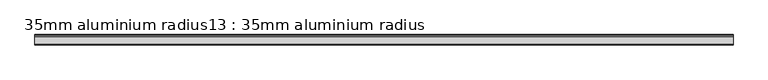
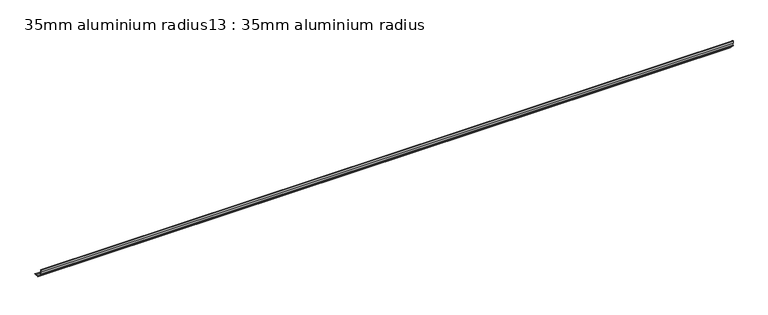
"""IFC4 building model written with IfcOpenShell, lengths in millimetres: proxy geometry, 35mm aluminium radius13 : 35mm aluminium radius."""

from ifc_helpers import new_model, si_unit, point, frame, frame_2d, origin, place, context, project, spatial, polyline, circle_curve, trimmed, segment, composite_curve, outline, extrude, source, transform, mapped, element, save


def proxy_35mm_aluminium_radius13_35mm_aluminium_radius_56cb9f90(model_context):
    return source(origin(), model_context, "Body", "SweptSolid", [
        extrude(outline(composite_curve([segment(trimmed(circle_curve(frame_2d((-8675.2538557, 34.9)), 0.5), [point((-8675.6205224, 34.5600654))], [point((-8674.9072367, 35.2603544))], False, "CARTESIAN"), True, "CONTINUOUS"), segment(trimmed(circle_curve(frame_2d((-8676.9538557, 33.0668752)), 3.0), [point((-8674.9072367, 35.2603544))], [point((-8673.9538557, 33.0668752))], False, "CARTESIAN"), True, "CONTINUOUS"), segment(polyline([(-8673.9538557, 33.0668752), (-8673.9538557, 26.8)]), True, "CONTINUOUS"), segment(trimmed(circle_curve(frame_2d((-8648.9538557, 26.8)), 25.0), [point((-8673.9538557, 26.8))], [point((-8648.9538557, 1.8))], True, "CARTESIAN"), True, "CONTINUOUS"), segment(polyline([(-8648.9538557, 1.8), (-8642.6869805, 1.8)]), True, "CONTINUOUS"), segment(trimmed(circle_curve(frame_2d((-8642.6869805, -1.2)), 3.0), [point((-8642.6869805, 1.8))], [point((-8640.4811024, 0.8332491))], False, "CARTESIAN"), True, "CONTINUOUS"), segment(trimmed(circle_curve(frame_2d((-8640.8538557, 0.5)), 0.5), [point((-8640.4811024, 0.8332491))], [point((-8641.1937904, 0.1333333))], False, "CARTESIAN"), True, "CONTINUOUS"), segment(trimmed(circle_curve(frame_2d((-8642.4133699, -2.4514518)), 2.8580567), [point((-8641.1937904, 0.1333333))], [point((-8642.6075636, 0.4))], True, "CARTESIAN"), True, "CONTINUOUS"), segment(polyline([(-8642.6075636, 0.4), (-8648.9538557, 0.4)]), True, "CONTINUOUS"), segment(trimmed(circle_curve(frame_2d((-8648.9538557, 26.8)), 26.4), [point((-8648.9538557, 0.4))], [point((-8656.9538557, 1.6413037))], False, "CARTESIAN"), True, "CONTINUOUS"), segment(polyline([(-8656.9538557, 1.6413037), (-8656.9538557, 0.0), (-8658.3538557, 0.0), (-8658.3538557, 2.1301804)]), True, "CONTINUOUS"), segment(trimmed(circle_curve(frame_2d((-8648.9538557, 26.8)), 26.4), [point((-8658.3538557, 2.1301804))], [point((-8673.6236753, 17.4))], False, "CARTESIAN"), True, "CONTINUOUS"), segment(polyline([(-8673.6236753, 17.4), (-8675.7538557, 17.4), (-8675.7538557, 18.8), (-8674.112552, 18.8)]), True, "CONTINUOUS"), segment(trimmed(circle_curve(frame_2d((-8648.9538557, 26.8)), 26.4), [point((-8674.112552, 18.8))], [point((-8675.3538557, 26.8))], False, "CARTESIAN"), True, "CONTINUOUS"), segment(polyline([(-8675.3538557, 26.8), (-8675.3538557, 33.5084497)]), True, "CONTINUOUS"), segment(trimmed(circle_curve(frame_2d((-8676.5293856, 33.7699793)), 1.2042709), [point((-8675.3538557, 33.5084497))], [point((-8675.6205224, 34.5600654))], True, "CARTESIAN"), True, "CONTINUOUS")], self_intersect=False)), frame((4244.6309284, 0.0, 0.0), z_axis=(1.0, 0.0, 0.0), x_axis=(0.0, 1.0, 0.0)), (0.0, 0.0, 1.0), 2400.0),
    ])


if __name__ == "__main__":
    model = new_model("IFC4")
    model_context = context("Model", 3, world=origin())
    ifc_project = project(units=[si_unit("LENGTHUNIT", "METRE", prefix="MILLI")], contexts=[model_context])
    site = spatial("IfcSite", under=ifc_project)
    building = spatial("IfcBuilding", under=site)
    placement = place(None, origin())
    proxy_35mm_aluminium_radius13_35mm_aluminium_radius_shape = proxy_35mm_aluminium_radius13_35mm_aluminium_radius_56cb9f90(model_context)
    element("IfcBuildingElementProxy", 1, Name="35mm aluminium radius13 : 35mm aluminium radius", ObjectType="35mm aluminium radius13 : 35mm aluminium radius", at=placement, inside=building, context=model_context, shape_type="MappedRepresentation", body=[
        mapped(proxy_35mm_aluminium_radius13_35mm_aluminium_radius_shape, transform((0.0, 0.0, 0.0), x_axis=(1.0, 0.0, 0.0), y_axis=(0.0, 1.0, 0.0), z_axis=(0.0, 0.0, 1.0))),
    ])
    save(model, "model.ifc")
